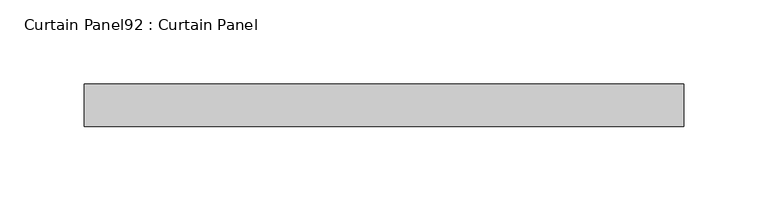
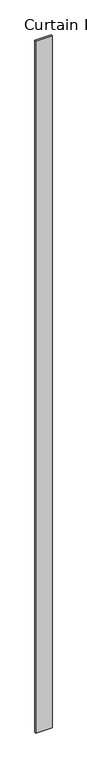
"""IFC4 building model written with IfcOpenShell, lengths in millimetres: plate geometry, Curtain Panel92 : Curtain Panel."""

import ifcopenshell
import ifcopenshell.guid

model = None  # the IFC model being written
_history = None  # IfcOwnerHistory: only IFC2X3 demands one
_inside = {}  # id of a spatial element -> (the spatial element, [elements in it])
_under = {}  # id of a project, library or spatial element -> (it, [spatial elements below it])
_declared = {}  # id of a project -> (the project, [libraries it declares])
_typed = {}  # id of a type object -> (the type object, [elements of that type])
_made_of = {}  # id of a material, layer set ... -> (it, [elements and type objects made of it])


def new_model(schema):
    """Start an empty IFC model of exactly this schema.

    Asked for "IFC4X3", IfcOpenShell would pick the latest addendum, in which some entities
    have other attributes; the version numbers below select the first issue.
    IFC2X3 requires an IfcOwnerHistory on every rooted entity: one is made here for all.
    """
    global model, _history
    if schema == "IFC4X3":
        model = ifcopenshell.file(schema_version=(4, 3, 0, 0))
    else:
        model = ifcopenshell.file(schema=schema)
    _inside.clear()
    _under.clear()
    _declared.clear()
    _typed.clear()
    _made_of.clear()
    _history = None
    if model.schema == "IFC2X3":
        org = make("IfcOrganization", Name="unknown")
        user = make(
            "IfcPersonAndOrganization",
            ThePerson=make("IfcPerson", FamilyName="unknown"),
            TheOrganization=org,
        )
        app = make(
            "IfcApplication",
            ApplicationDeveloper=org,
            Version="unknown",
            ApplicationFullName="unknown",
            ApplicationIdentifier="unknown",
        )
        _history = make(
            "IfcOwnerHistory",
            OwningUser=user,
            OwningApplication=app,
            ChangeAction="ADDED",
            CreationDate=0,
        )
    return model


def make(cls, **values):
    """One entity of the class cls with the attributes given. An attribute that is None is left unset."""
    return model.create_entity(
        cls, **{name: value for name, value in values.items() if value is not None}
    )


def rooted(cls, **values):
    """An entity with a GlobalId (a new one), such as an element, a storey or a relation."""
    return make(cls, GlobalId=ifcopenshell.guid.new(), OwnerHistory=_history, **values)


def si_unit(unit_type, name, prefix=None):
    """IfcSIUnit, for example si_unit("LENGTHUNIT", "METRE", prefix="MILLI")."""
    return make("IfcSIUnit", UnitType=unit_type, Prefix=prefix, Name=name)


def assignment(units):
    """IfcUnitAssignment: the units of a project."""
    return None if units is None else make("IfcUnitAssignment", Units=units)


def point(xyz):
    """IfcCartesianPoint."""
    return None if xyz is None else make("IfcCartesianPoint", Coordinates=xyz)


def direction(xyz):
    """IfcDirection."""
    return None if xyz is None else make("IfcDirection", DirectionRatios=xyz)


def frame(location, z_axis=None, x_axis=None):
    """IfcAxis2Placement3D, a coordinate frame: its origin and axes. An axis left out is left unset."""
    return make(
        "IfcAxis2Placement3D",
        Location=point(location),
        Axis=direction(z_axis),
        RefDirection=direction(x_axis),
    )


def origin():
    """The frame at (0, 0, 0) with its axes left unset."""
    return frame((0.0, 0.0, 0.0))


def place(relative_to, where):
    """IfcLocalPlacement: puts the frame where relative to a parent placement (None: the world)."""
    return make(
        "IfcLocalPlacement", PlacementRelTo=relative_to, RelativePlacement=where
    )


def context(
    kind, dimensions, precision=None, world=None, true_north=None, identifier=None
):
    """IfcGeometricRepresentationContext, for example the 3D "Model" context."""
    return make(
        "IfcGeometricRepresentationContext",
        ContextIdentifier=identifier,
        ContextType=kind,
        CoordinateSpaceDimension=dimensions,
        Precision=precision,
        WorldCoordinateSystem=world,
        TrueNorth=true_north,
    )


def project(units=None, contexts=None):
    """IfcProject with its units and contexts."""
    return rooted(
        "IfcProject",
        Name="project",
        RepresentationContexts=contexts,
        UnitsInContext=assignment(units),
    )


def spatial(cls, under=None, at=None, **own):
    """A site, building, storey or space (cls), placed at a placement, below another one or the project."""
    s = rooted(cls, ObjectPlacement=at, **own)
    if under is not None:
        _under.setdefault(under.id(), (under, []))[1].append(s)
    return s


def polyline(points):
    """IfcPolyline through the points."""
    return make("IfcPolyline", Points=[point(p) for p in points])


def outline(outer, holes=None, kind="AREA"):
    """IfcArbitraryClosedProfileDef: a profile drawn as a closed curve; with holes, ...WithVoids."""
    if holes is None:
        return make("IfcArbitraryClosedProfileDef", ProfileType=kind, OuterCurve=outer)
    return make(
        "IfcArbitraryProfileDefWithVoids",
        ProfileType=kind,
        OuterCurve=outer,
        InnerCurves=holes,
    )


def extrude(swept, where, along, depth):
    """IfcExtrudedAreaSolid: the profile swept, set in the frame where, extruded along a direction by depth."""
    return make(
        "IfcExtrudedAreaSolid",
        SweptArea=swept,
        Position=where,
        ExtrudedDirection=direction(along),
        Depth=depth,
    )


def shape(context_of_items, identifier, shape_type, items):
    """IfcShapeRepresentation: the items that make up one representation, for example the "Body"."""
    return make(
        "IfcShapeRepresentation",
        ContextOfItems=context_of_items,
        RepresentationIdentifier=identifier,
        RepresentationType=shape_type,
        Items=items,
    )


def source(mapping_origin, context_of_items, identifier, shape_type, items):
    """IfcRepresentationMap: a shape defined once, which mapped items show again and again."""
    return make(
        "IfcRepresentationMap",
        MappingOrigin=mapping_origin,
        MappedRepresentation=shape(context_of_items, identifier, shape_type, items),
    )


def transform(
    local_origin,
    x_axis=None,
    y_axis=None,
    z_axis=None,
    scale=None,
    scale2=None,
    scale3=None,
    uniform=True,
):
    """IfcCartesianTransformationOperator3D, or its non-uniform kind. x_axis, y_axis, z_axis: its Axis1, 2, 3."""
    if uniform:
        return make(
            "IfcCartesianTransformationOperator3D",
            Axis1=direction(x_axis),
            Axis2=direction(y_axis),
            LocalOrigin=point(local_origin),
            Scale=scale,
            Axis3=direction(z_axis),
        )
    return make(
        "IfcCartesianTransformationOperator3DnonUniform",
        Axis1=direction(x_axis),
        Axis2=direction(y_axis),
        LocalOrigin=point(local_origin),
        Scale=scale,
        Axis3=direction(z_axis),
        Scale2=scale2,
        Scale3=scale3,
    )


def mapped(mapping_source, mapping_target):
    """IfcMappedItem: shows the shape of a source again, moved by a transform."""
    return make(
        "IfcMappedItem", MappingSource=mapping_source, MappingTarget=mapping_target
    )


def made_of(thing, what):
    """Note that an element or type object is made of a material, layer set ...; save() writes the relation."""
    if what is not None:
        _made_of.setdefault(what.id(), (what, []))[1].append(thing)
    return thing


def element(
    cls,
    number,
    at=None,
    inside=None,
    cuts=None,
    type_object=None,
    material=None,
    context=None,
    identifier="Body",
    shape_type=None,
    held_by="IfcProductDefinitionShape",
    body=None,
    shapes=None,
    **own,
):
    """One element of the class cls, such as IfcWall. Its Tag is "e" and its number.

    at: its placement. inside: the storey or other place that contains it. cuts: it is an
    opening in that element (IfcRelVoidsElement). A single representation is given by context,
    identifier, shape_type and body (its items); several are given by shapes. held_by: the class
    of the entity that holds the representations. save() writes the other relations.
    """
    e = rooted(cls, Tag="e%d" % number, ObjectPlacement=at, **own)
    if body is not None:
        shapes = [shape(context, identifier, shape_type, body)]
    if shapes is not None:
        e.Representation = make(held_by, Representations=shapes)
    if inside is not None:
        _inside.setdefault(inside.id(), (inside, []))[1].append(e)
    if cuts is not None:
        rooted(
            "IfcRelVoidsElement", RelatingBuildingElement=cuts, RelatedOpeningElement=e
        )
    if type_object is not None:
        _typed.setdefault(type_object.id(), (type_object, []))[1].append(e)
    return made_of(e, material)


def aggregate(whole, parts):
    """IfcRelAggregates: a whole, such as a stair, and the parts it consists of."""
    return rooted("IfcRelAggregates", RelatingObject=whole, RelatedObjects=parts)


def save(model, path):
    """Write the relations noted so far, then the file.

    IfcRelAggregates (storeys below a building ...), IfcRelContainedInSpatialStructure (elements
    in a storey), IfcRelDefinesByType, IfcRelAssociatesMaterial and IfcRelDeclares: one each for
    every whole, place, type object, material and project.
    """
    for whole, parts in _under.values():
        aggregate(whole, parts)
    for where, things in _inside.values():
        rooted(
            "IfcRelContainedInSpatialStructure",
            RelatedElements=things,
            RelatingStructure=where,
        )
    for kind, things in _typed.values():
        rooted("IfcRelDefinesByType", RelatedObjects=things, RelatingType=kind)
    for what, things in _made_of.values():
        rooted("IfcRelAssociatesMaterial", RelatedObjects=things, RelatingMaterial=what)
    for by, libraries in _declared.values():
        rooted("IfcRelDeclares", RelatingContext=by, RelatedDefinitions=libraries)
    model.write(path)


def curtain_panel92_curtain_panel_29476eb9(model_context):
    return source(origin(), model_context, "Body", "SweptSolid", [
        extrude(outline(polyline([(177343.5950674, 7952.3834949), (176986.8257359, 7952.3834949), (176986.8257359, 7977.7834949), (177343.5950674, 7977.7834949), (177343.5950674, 7952.3834949)])), frame((0.0, 0.0, 1433.7679301), z_axis=(0.0, 0.0, 1.0), x_axis=(1.0, 0.0, 0.0)), (0.0, 0.0, 1.0), 15837.0064664),
    ])


if __name__ == "__main__":
    model = new_model("IFC4")
    model_context = context("Model", 3, world=origin())
    ifc_project = project(units=[si_unit("LENGTHUNIT", "METRE", prefix="MILLI")], contexts=[model_context])
    site = spatial("IfcSite", under=ifc_project)
    building = spatial("IfcBuilding", under=site)
    placement = place(None, origin())
    curtain_panel92_curtain_panel_shape = curtain_panel92_curtain_panel_29476eb9(model_context)
    element("IfcPlate", 1, ObjectType="Curtain Panel92 : Curtain Panel", at=placement, inside=building, context=model_context, shape_type="MappedRepresentation", body=[
        mapped(curtain_panel92_curtain_panel_shape, transform((0.0, 0.0, 0.0), x_axis=(1.0, 0.0, 0.0), y_axis=(0.0, 1.0, 0.0), z_axis=(0.0, 0.0, 1.0))),
    ])
    save(model, "model.ifc")
